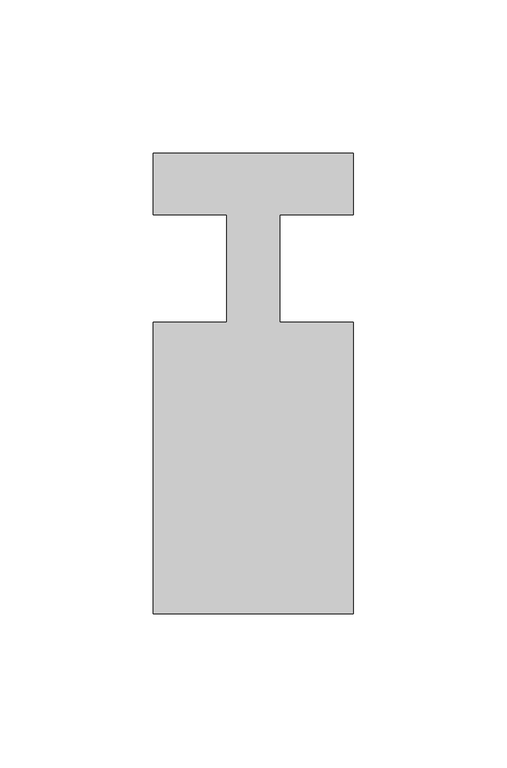
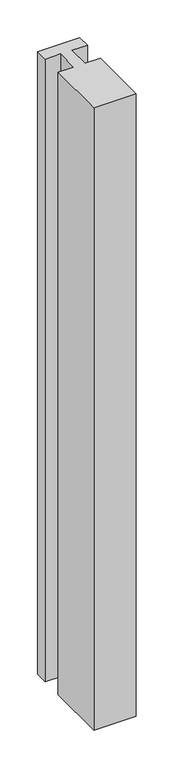
"""IFC4 building model written with IfcOpenShell, lengths in millimetres: member geometry."""

from ifc_helpers import new_model, si_unit, frame, origin, place, context, project, spatial, polyline, outline, extrude, source, transform, mapped, element, save


def member_5d6789af(model_context):
    return source(origin(), model_context, "Body", "SweptSolid", [
        extrude(outline(polyline([(0.0, 37.0), (0.0, 17.0), (-23.8125, 17.0), (-23.8125, -18.0), (0.0, -18.0), (0.0, -113.0), (-65.0, -113.0), (-65.0, -18.0), (-41.1875, -18.0), (-41.1875, 17.0), (-65.0, 17.0), (-65.0, 37.0), (0.0, 37.0)])), frame((0.0, 0.0, -1010.0), z_axis=(0.0, 0.0, 1.0), x_axis=(1.0, 0.0, 0.0)), (0.0, 0.0, 1.0), 1010.0),
    ])


if __name__ == "__main__":
    model = new_model("IFC4")
    model_context = context("Model", 3, world=origin())
    ifc_project = project(units=[si_unit("LENGTHUNIT", "METRE", prefix="MILLI")], contexts=[model_context])
    site = spatial("IfcSite", under=ifc_project)
    building = spatial("IfcBuilding", under=site)
    placement = place(None, origin())
    member_shape = member_5d6789af(model_context)
    element("IfcMember", 1, at=placement, inside=building, context=model_context, shape_type="MappedRepresentation", body=[
        mapped(member_shape, transform((0.0, 0.0, 0.0), x_axis=(1.0, 0.0, 0.0), y_axis=(0.0, 1.0, 0.0), z_axis=(0.0, 0.0, 1.0))),
    ])
    save(model, "model.ifc")
